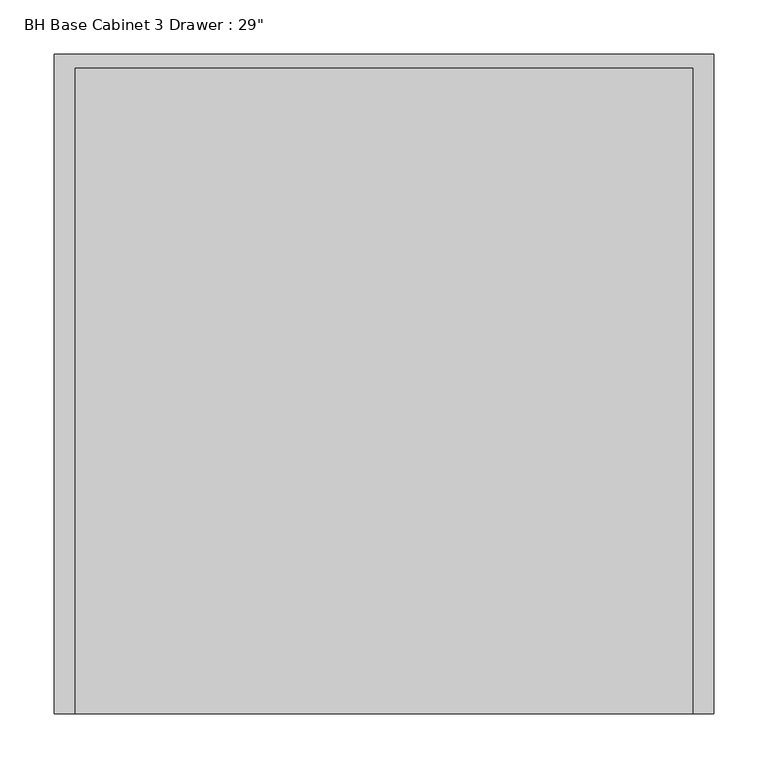
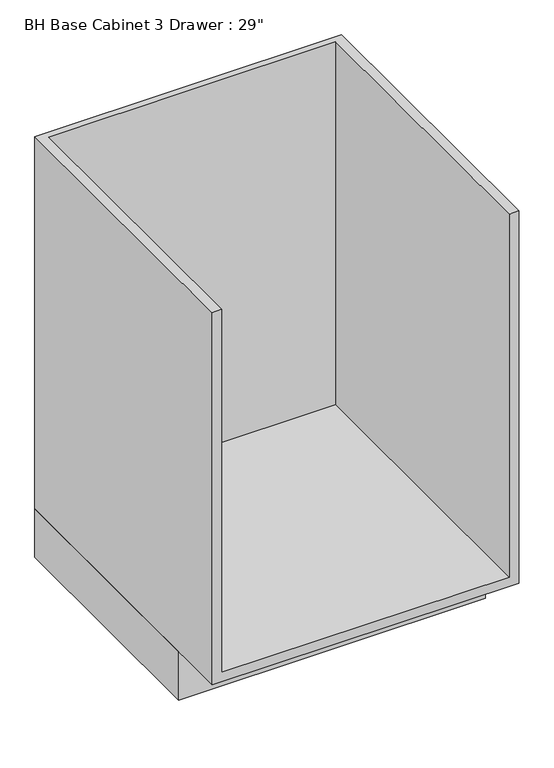
"""IFC4 building model written with IfcOpenShell, lengths in millimetres: furniture geometry."""

from ifc_helpers import new_model, si_unit, origin, origin_with_axes, place, context, project, spatial, polyline, outline, extrude, faceted_brep, source, transform, mapped, element, save


def furniture_3a984d8f(model_context):
    return source(origin(), model_context, "Body", "SolidModel", [
        faceted_brep([(-304.8, -609.6, 882.65), (-304.8, -609.6, 101.6), (304.8, -609.6, 101.6), (304.8, -609.6, 882.65), (285.75, -609.6, 882.65), (285.75, -609.6, 120.65), (-285.75, -609.6, 120.65), (-285.75, -609.6, 882.65), (285.75, -12.7, 882.65), (285.75, -12.7, 120.65), (-285.75, -12.7, 120.65), (-285.75, -12.7, 882.65), (304.8, 0.0, 882.65), (-304.8, 0.0, 882.65), (-304.8, 0.0, 101.6), (304.8, 0.0, 101.6)], [[[0, 1, 2, 3, 4, 5, 6, 7]], [[5, 4, 8, 9]], [[6, 5, 9, 10]], [[7, 6, 10, 11]], [[8, 11, 10, 9]], [[0, 7, 11, 8, 4, 3, 12, 13]], [[14, 15, 2, 1]], [[12, 3, 2, 15]], [[15, 14, 13, 12]], [[0, 13, 14, 1]]]),
        extrude(outline(polyline([(-304.8, 0.0), (304.8, 0.0), (304.8, -495.3), (-304.8, -495.3), (-304.8, 0.0)])), origin_with_axes(), (0.0, 0.0, 1.0), 101.6),
    ])


if __name__ == "__main__":
    model = new_model("IFC4")
    model_context = context("Model", 3, world=origin())
    ifc_project = project(units=[si_unit("LENGTHUNIT", "METRE", prefix="MILLI")], contexts=[model_context])
    site = spatial("IfcSite", under=ifc_project)
    building = spatial("IfcBuilding", under=site)
    placement = place(None, origin())
    furniture_shape = furniture_3a984d8f(model_context)
    element("IfcFurniture", 1, ObjectType="BH Base Cabinet 3 Drawer : 29\"", at=placement, inside=building, context=model_context, shape_type="MappedRepresentation", body=[
        mapped(furniture_shape, transform((0.0, 0.0, 0.0), x_axis=(1.0, 0.0, 0.0), y_axis=(0.0, 1.0, 0.0), z_axis=(0.0, 0.0, 1.0))),
    ])
    save(model, "model.ifc")
